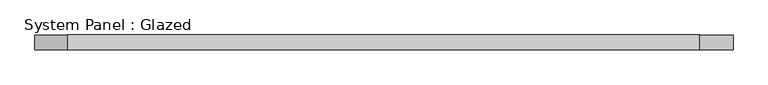
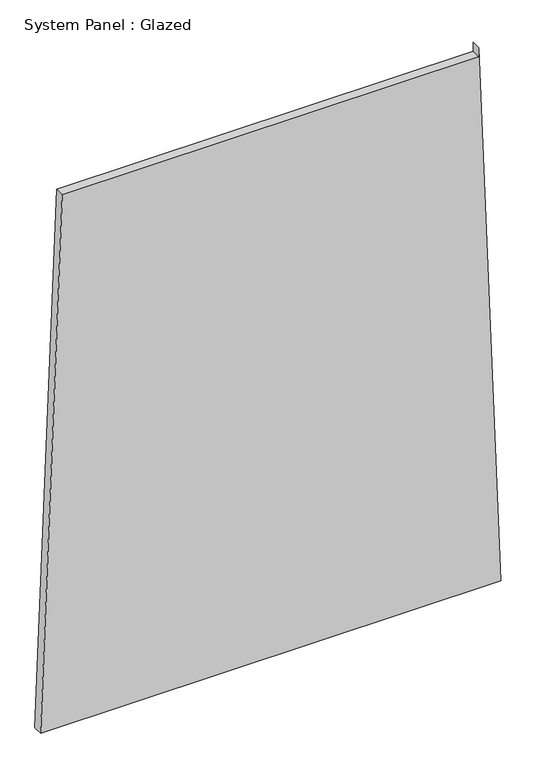
"""IFC4 building model written with IfcOpenShell, lengths in millimetres: plate geometry, System Panel : Glazed."""

import ifcopenshell
import ifcopenshell.guid

model = None  # the IFC model being written
_history = None  # IfcOwnerHistory: only IFC2X3 demands one
_inside = {}  # id of a spatial element -> (the spatial element, [elements in it])
_under = {}  # id of a project, library or spatial element -> (it, [spatial elements below it])
_declared = {}  # id of a project -> (the project, [libraries it declares])
_typed = {}  # id of a type object -> (the type object, [elements of that type])
_made_of = {}  # id of a material, layer set ... -> (it, [elements and type objects made of it])


def new_model(schema):
    """Start an empty IFC model of exactly this schema.

    Asked for "IFC4X3", IfcOpenShell would pick the latest addendum, in which some entities
    have other attributes; the version numbers below select the first issue.
    IFC2X3 requires an IfcOwnerHistory on every rooted entity: one is made here for all.
    """
    global model, _history
    if schema == "IFC4X3":
        model = ifcopenshell.file(schema_version=(4, 3, 0, 0))
    else:
        model = ifcopenshell.file(schema=schema)
    _inside.clear()
    _under.clear()
    _declared.clear()
    _typed.clear()
    _made_of.clear()
    _history = None
    if model.schema == "IFC2X3":
        org = make("IfcOrganization", Name="unknown")
        user = make(
            "IfcPersonAndOrganization",
            ThePerson=make("IfcPerson", FamilyName="unknown"),
            TheOrganization=org,
        )
        app = make(
            "IfcApplication",
            ApplicationDeveloper=org,
            Version="unknown",
            ApplicationFullName="unknown",
            ApplicationIdentifier="unknown",
        )
        _history = make(
            "IfcOwnerHistory",
            OwningUser=user,
            OwningApplication=app,
            ChangeAction="ADDED",
            CreationDate=0,
        )
    return model


def make(cls, **values):
    """One entity of the class cls with the attributes given. An attribute that is None is left unset."""
    return model.create_entity(
        cls, **{name: value for name, value in values.items() if value is not None}
    )


def rooted(cls, **values):
    """An entity with a GlobalId (a new one), such as an element, a storey or a relation."""
    return make(cls, GlobalId=ifcopenshell.guid.new(), OwnerHistory=_history, **values)


def si_unit(unit_type, name, prefix=None):
    """IfcSIUnit, for example si_unit("LENGTHUNIT", "METRE", prefix="MILLI")."""
    return make("IfcSIUnit", UnitType=unit_type, Prefix=prefix, Name=name)


def assignment(units):
    """IfcUnitAssignment: the units of a project."""
    return None if units is None else make("IfcUnitAssignment", Units=units)


def point(xyz):
    """IfcCartesianPoint."""
    return None if xyz is None else make("IfcCartesianPoint", Coordinates=xyz)


def direction(xyz):
    """IfcDirection."""
    return None if xyz is None else make("IfcDirection", DirectionRatios=xyz)


def frame(location, z_axis=None, x_axis=None):
    """IfcAxis2Placement3D, a coordinate frame: its origin and axes. An axis left out is left unset."""
    return make(
        "IfcAxis2Placement3D",
        Location=point(location),
        Axis=direction(z_axis),
        RefDirection=direction(x_axis),
    )


def origin():
    """The frame at (0, 0, 0) with its axes left unset."""
    return frame((0.0, 0.0, 0.0))


def place(relative_to, where):
    """IfcLocalPlacement: puts the frame where relative to a parent placement (None: the world)."""
    return make(
        "IfcLocalPlacement", PlacementRelTo=relative_to, RelativePlacement=where
    )


def context(
    kind, dimensions, precision=None, world=None, true_north=None, identifier=None
):
    """IfcGeometricRepresentationContext, for example the 3D "Model" context."""
    return make(
        "IfcGeometricRepresentationContext",
        ContextIdentifier=identifier,
        ContextType=kind,
        CoordinateSpaceDimension=dimensions,
        Precision=precision,
        WorldCoordinateSystem=world,
        TrueNorth=true_north,
    )


def project(units=None, contexts=None):
    """IfcProject with its units and contexts."""
    return rooted(
        "IfcProject",
        Name="project",
        RepresentationContexts=contexts,
        UnitsInContext=assignment(units),
    )


def spatial(cls, under=None, at=None, **own):
    """A site, building, storey or space (cls), placed at a placement, below another one or the project."""
    s = rooted(cls, ObjectPlacement=at, **own)
    if under is not None:
        _under.setdefault(under.id(), (under, []))[1].append(s)
    return s


def polyline(points):
    """IfcPolyline through the points."""
    return make("IfcPolyline", Points=[point(p) for p in points])


def outline(outer, holes=None, kind="AREA"):
    """IfcArbitraryClosedProfileDef: a profile drawn as a closed curve; with holes, ...WithVoids."""
    if holes is None:
        return make("IfcArbitraryClosedProfileDef", ProfileType=kind, OuterCurve=outer)
    return make(
        "IfcArbitraryProfileDefWithVoids",
        ProfileType=kind,
        OuterCurve=outer,
        InnerCurves=holes,
    )


def extrude(swept, where, along, depth):
    """IfcExtrudedAreaSolid: the profile swept, set in the frame where, extruded along a direction by depth."""
    return make(
        "IfcExtrudedAreaSolid",
        SweptArea=swept,
        Position=where,
        ExtrudedDirection=direction(along),
        Depth=depth,
    )


def shape(context_of_items, identifier, shape_type, items):
    """IfcShapeRepresentation: the items that make up one representation, for example the "Body"."""
    return make(
        "IfcShapeRepresentation",
        ContextOfItems=context_of_items,
        RepresentationIdentifier=identifier,
        RepresentationType=shape_type,
        Items=items,
    )


def source(mapping_origin, context_of_items, identifier, shape_type, items):
    """IfcRepresentationMap: a shape defined once, which mapped items show again and again."""
    return make(
        "IfcRepresentationMap",
        MappingOrigin=mapping_origin,
        MappedRepresentation=shape(context_of_items, identifier, shape_type, items),
    )


def transform(
    local_origin,
    x_axis=None,
    y_axis=None,
    z_axis=None,
    scale=None,
    scale2=None,
    scale3=None,
    uniform=True,
):
    """IfcCartesianTransformationOperator3D, or its non-uniform kind. x_axis, y_axis, z_axis: its Axis1, 2, 3."""
    if uniform:
        return make(
            "IfcCartesianTransformationOperator3D",
            Axis1=direction(x_axis),
            Axis2=direction(y_axis),
            LocalOrigin=point(local_origin),
            Scale=scale,
            Axis3=direction(z_axis),
        )
    return make(
        "IfcCartesianTransformationOperator3DnonUniform",
        Axis1=direction(x_axis),
        Axis2=direction(y_axis),
        LocalOrigin=point(local_origin),
        Scale=scale,
        Axis3=direction(z_axis),
        Scale2=scale2,
        Scale3=scale3,
    )


def mapped(mapping_source, mapping_target):
    """IfcMappedItem: shows the shape of a source again, moved by a transform."""
    return make(
        "IfcMappedItem", MappingSource=mapping_source, MappingTarget=mapping_target
    )


def made_of(thing, what):
    """Note that an element or type object is made of a material, layer set ...; save() writes the relation."""
    if what is not None:
        _made_of.setdefault(what.id(), (what, []))[1].append(thing)
    return thing


def element(
    cls,
    number,
    at=None,
    inside=None,
    cuts=None,
    type_object=None,
    material=None,
    context=None,
    identifier="Body",
    shape_type=None,
    held_by="IfcProductDefinitionShape",
    body=None,
    shapes=None,
    **own,
):
    """One element of the class cls, such as IfcWall. Its Tag is "e" and its number.

    at: its placement. inside: the storey or other place that contains it. cuts: it is an
    opening in that element (IfcRelVoidsElement). A single representation is given by context,
    identifier, shape_type and body (its items); several are given by shapes. held_by: the class
    of the entity that holds the representations. save() writes the other relations.
    """
    e = rooted(cls, Tag="e%d" % number, ObjectPlacement=at, **own)
    if body is not None:
        shapes = [shape(context, identifier, shape_type, body)]
    if shapes is not None:
        e.Representation = make(held_by, Representations=shapes)
    if inside is not None:
        _inside.setdefault(inside.id(), (inside, []))[1].append(e)
    if cuts is not None:
        rooted(
            "IfcRelVoidsElement", RelatingBuildingElement=cuts, RelatedOpeningElement=e
        )
    if type_object is not None:
        _typed.setdefault(type_object.id(), (type_object, []))[1].append(e)
    return made_of(e, material)


def aggregate(whole, parts):
    """IfcRelAggregates: a whole, such as a stair, and the parts it consists of."""
    return rooted("IfcRelAggregates", RelatingObject=whole, RelatedObjects=parts)


def save(model, path):
    """Write the relations noted so far, then the file.

    IfcRelAggregates (storeys below a building ...), IfcRelContainedInSpatialStructure (elements
    in a storey), IfcRelDefinesByType, IfcRelAssociatesMaterial and IfcRelDeclares: one each for
    every whole, place, type object, material and project.
    """
    for whole, parts in _under.values():
        aggregate(whole, parts)
    for where, things in _inside.values():
        rooted(
            "IfcRelContainedInSpatialStructure",
            RelatedElements=things,
            RelatingStructure=where,
        )
    for kind, things in _typed.values():
        rooted("IfcRelDefinesByType", RelatedObjects=things, RelatingType=kind)
    for what, things in _made_of.values():
        rooted("IfcRelAssociatesMaterial", RelatedObjects=things, RelatingMaterial=what)
    for by, libraries in _declared.values():
        rooted("IfcRelDeclares", RelatingContext=by, RelatedDefinitions=libraries)
    model.write(path)


def system_panel_glazed_9438e8cb(model_context):
    return source(origin(), model_context, "Body", "SweptSolid", [
        extrude(outline(polyline([(0.0, -593.7827408), (0.0, 593.7827408), (1473.882276, 536.844661), (1448.882276, 536.844661), (1448.8822729, -537.8109373), (0.0, -593.7827408)])), frame((0.0, -49.5, 0.0), z_axis=(0.0, 1.0, 0.0), x_axis=(0.0, 0.0, 1.0)), (0.0, 0.0, 1.0), 25.0),
    ])


if __name__ == "__main__":
    model = new_model("IFC4")
    model_context = context("Model", 3, world=origin())
    ifc_project = project(units=[si_unit("LENGTHUNIT", "METRE", prefix="MILLI")], contexts=[model_context])
    site = spatial("IfcSite", under=ifc_project)
    building = spatial("IfcBuilding", under=site)
    placement = place(None, origin())
    system_panel_glazed_shape = system_panel_glazed_9438e8cb(model_context)
    element("IfcPlate", 1, ObjectType="System Panel : Glazed", at=placement, inside=building, context=model_context, shape_type="MappedRepresentation", body=[
        mapped(system_panel_glazed_shape, transform((0.0, 0.0, 0.0), x_axis=(1.0, 0.0, 0.0), y_axis=(0.0, 1.0, 0.0), z_axis=(0.0, 0.0, 1.0))),
    ])
    save(model, "model.ifc")
